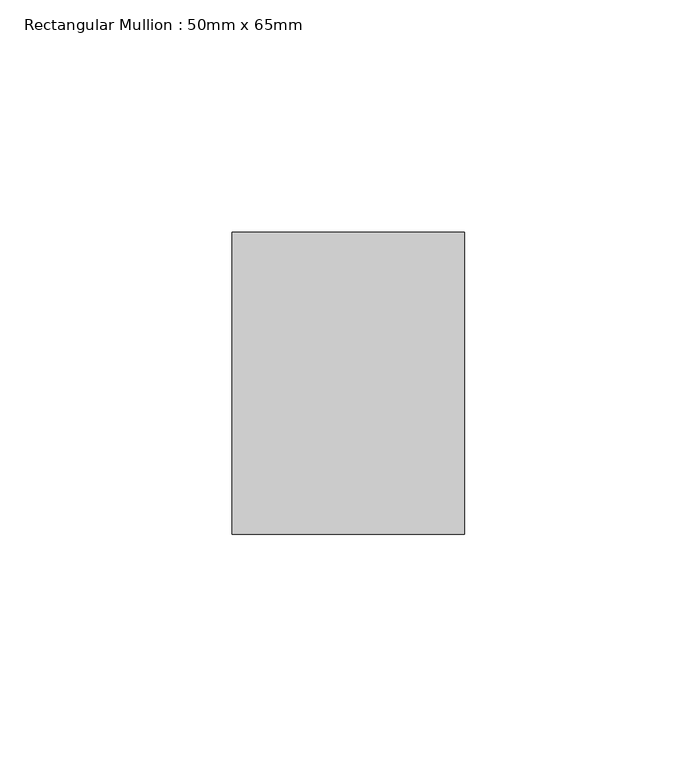
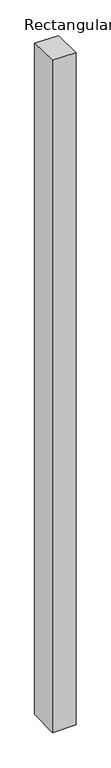
"""IFC4 building model written with IfcOpenShell, lengths in millimetres: member geometry, Rectangular Mullion : 50mm x 65mm."""

from ifc_helpers import new_model, si_unit, origin, place, context, project, spatial, faceted_brep, source, transform, mapped, element, save


def rectangular_mullion_50mm_x_65mm_d6ebce0c(model_context):
    return source(origin(), model_context, "Body", "Brep", [
        faceted_brep([(-25.0, 32.5, -0.7127041), (25.0, 32.5, -0.7127121), (25.0, 32.5, -1499.101885), (-25.0, 32.5, -1499.1018952), (-25.0, -32.5, 0.7127121), (-25.0, -32.5, -1500.8978226), (25.0, -32.5, 0.7127041), (25.0, -32.5, -1500.8978125)], [[[0, 1, 2, 3]], [[4, 0, 3, 5]], [[6, 4, 5, 7]], [[1, 6, 7, 2]], [[1, 0, 4, 6]], [[2, 7, 5, 3]]]),
    ])


if __name__ == "__main__":
    model = new_model("IFC4")
    model_context = context("Model", 3, world=origin())
    ifc_project = project(units=[si_unit("LENGTHUNIT", "METRE", prefix="MILLI")], contexts=[model_context])
    site = spatial("IfcSite", under=ifc_project)
    building = spatial("IfcBuilding", under=site)
    placement = place(None, origin())
    rectangular_mullion_50mm_x_65mm_shape = rectangular_mullion_50mm_x_65mm_d6ebce0c(model_context)
    element("IfcMember", 1, ObjectType="Rectangular Mullion : 50mm x 65mm", at=placement, inside=building, context=model_context, shape_type="MappedRepresentation", body=[
        mapped(rectangular_mullion_50mm_x_65mm_shape, transform((0.0, 0.0, 0.0), x_axis=(1.0, 0.0, 0.0), y_axis=(0.0, 1.0, 0.0), z_axis=(0.0, 0.0, 1.0))),
    ])
    save(model, "model.ifc")
